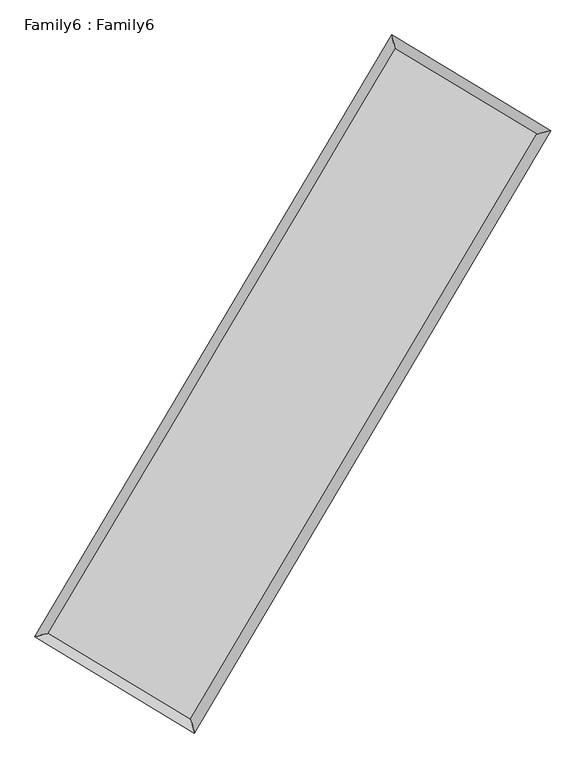
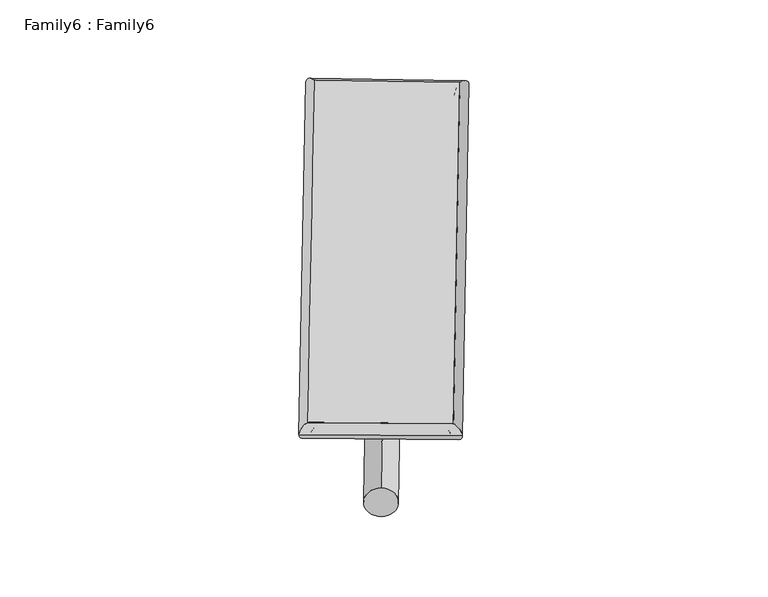
"""IFC4 building model written with IfcOpenShell, lengths in millimetres: plate geometry, Family6 : Family6."""

from ifc_helpers import new_model, si_unit, point, frame, origin, origin_2d, place, context, project, spatial, circle_curve, ellipse_curve, trimmed, segment, composite_curve, outline, extrude, source, transform, mapped, element, save
from ifc_brep_helpers import plane_surface, cylinder_surface, spline_surface, advanced_brep


def family6_family6_6faf7ed1(model_context):
    return source(origin(), model_context, "Body", "SolidModel", [
        extrude(outline(composite_curve([segment(trimmed(circle_curve(origin_2d(), 76.2), [point((-75.4341514, -10.7763074))], [point((75.4341514, 10.7763074))], False, "CARTESIAN"), True, "CONTINUOUS"), segment(trimmed(circle_curve(origin_2d(), 76.2), [point((75.4341514, 10.7763074))], [point((-75.4341514, -10.7763074))], False, "CARTESIAN"), True, "CONTINUOUS")], self_intersect=False)), frame((9144.0, 9144.0, 0.0), z_axis=(0.6727721597706386, 0.6877409950608667, 0.2727452011497898), x_axis=(-0.6797146902046185, 0.7201394922251069, -0.1392373931736902)), (0.0, 0.0, 1.0), 5561.7404086),
        extrude(outline(composite_curve([segment(trimmed(circle_curve(origin_2d(), 76.2), [point((-53.8815367, 53.8815367))], [point((53.8815367, -53.8815367))], False, "CARTESIAN"), True, "CONTINUOUS"), segment(trimmed(circle_curve(origin_2d(), 76.2), [point((53.8815367, -53.8815367))], [point((-53.8815367, 53.8815367))], False, "CARTESIAN"), True, "CONTINUOUS")], self_intersect=False)), frame((9144.0, 9144.0, 0.0), z_axis=(-0.6733743385326153, -0.6871478959409503, 0.2727540454506366), x_axis=(0.6411588216957234, -0.3591033596597031, 0.6782036142950476)), (0.0, 0.0, 1.0), 5561.6288405),
        extrude(outline(composite_curve([segment(trimmed(circle_curve(origin_2d(), 76.2), [point((-53.8815367, -53.8815367))], [point((53.8815367, 53.8815367))], False, "CARTESIAN"), True, "CONTINUOUS"), segment(trimmed(circle_curve(origin_2d(), 76.2), [point((53.8815367, 53.8815367))], [point((-53.8815367, -53.8815367))], False, "CARTESIAN"), True, "CONTINUOUS")], self_intersect=False)), frame((9144.0, 9144.0, 0.0), z_axis=(0.2804551326454221, 0.9200072545850623, 0.27373631487929284), x_axis=(-0.8387323608577073, 0.37356463750764485, -0.39620384709621226)), (0.0, 0.0, 1.0), 5581.4442611),
        extrude(outline(composite_curve([segment(trimmed(circle_curve(origin_2d(), 76.2), [point((-75.4341514, 10.7763073))], [point((75.4341514, -10.7763073))], False, "CARTESIAN"), True, "CONTINUOUS"), segment(trimmed(circle_curve(origin_2d(), 76.2), [point((75.4341514, -10.7763073))], [point((-75.4341514, 10.7763073))], False, "CARTESIAN"), True, "CONTINUOUS")], self_intersect=False)), frame((9144.0, 9144.0, 0.0), z_axis=(-0.2797875198578239, -0.920261924149329, 0.27356340159601567), x_axis=(0.8768801440529241, -0.12893536269419476, 0.46309489871152737)), (0.0, 0.0, 1.0), 5585.1139539),
        advanced_brep(
        [(5190.7648987, 5270.0401665, 1517.8312392), (5607.122846, 5374.6423822, 1518.0581754), (5607.118818, 5374.6367219, 1516.0822919), (10762.1935488, 14069.2880317, 1526.6510614), (10656.4958324, 14488.6503909, 1529.0369061), (5190.7608707, 5270.0345063, 1515.8553557), (12677.5978937, 12916.4647302, 1517.0531116), (13093.9703199, 13021.6090356, 1516.8229014), (7528.5060123, 4214.1896954, 1527.677365), (7634.2036251, 3794.2748769, 1528.0881781)],
        [
            (0, 1, ellipse_curve(frame((5398.9418584, 5322.3384442, 1516.9567655), z_axis=(-0.24365774900643536, 0.9698585956655936, -0.0022816140514549197), x_axis=(-0.9698520685768215, -0.2436650135147386, -0.0037850054322954825)), 214.6539559, 152.4)),
            (1, 2, ellipse_curve(frame((5398.9418584, 5322.3384442, 1516.9567655), z_axis=(-0.24365774900643536, 0.9698585956655936, -0.0022816140514549197), x_axis=(-0.9698520685768215, -0.2436650135147386, -0.0037850054322954825)), 214.6539559, 152.4)),
            (2, 3),
            (3, 4, ellipse_curve(frame((10709.3446906, 14278.9692113, 1527.8439837), z_axis=(-0.9696686972469549, -0.24441216991823145, 0.0023040779619653796), x_axis=(0.24440268183237046, -0.9696665257587878, -0.0037627032871453132)), 216.2423819, 152.4)),
            (4, 0),
            (2, 5, ellipse_curve(frame((5398.9418584, 5322.3384442, 1516.9567655), z_axis=(-0.24365774900643536, 0.9698585956655936, -0.0022816140514549197), x_axis=(-0.9698520685768215, -0.2436650135147386, -0.0037850054322954825)), 214.6539559, 152.4)),
            (5, 0, ellipse_curve(frame((5398.9418584, 5322.3384442, 1516.9567655), z_axis=(-0.24365774900643536, 0.9698585956655936, -0.0022816140514549197), x_axis=(-0.9698520685768215, -0.2436650135147386, -0.0037850054322954825)), 214.6539559, 152.4)),
            (4, 3, ellipse_curve(frame((10709.3446906, 14278.9692113, 1527.8439837), z_axis=(-0.9696686972469549, -0.24441216991823145, 0.0023040779619653796), x_axis=(0.24440268183237046, -0.9696665257587878, -0.0037627032871453132)), 216.2423819, 152.4)),
            (3, 6),
            (6, 7, ellipse_curve(frame((12885.7841068, 12969.0368829, 1516.9380065), z_axis=(-0.24483694485507004, 0.9695615774768899, 0.00228427550004977), x_axis=(-0.9695550111651803, -0.24484422295812944, 0.003792994663412377)), 214.7226714, 152.4)),
            (7, 4),
            (7, 6, ellipse_curve(frame((12885.7841068, 12969.0368829, 1516.9380065), z_axis=(-0.24483694485507004, 0.9695615774768899, 0.00228427550004977), x_axis=(-0.9695550111651803, -0.24484422295812944, 0.003792994663412377)), 214.7226714, 152.4)),
            (6, 8),
            (8, 9, ellipse_curve(frame((7581.3548187, 4004.2322862, 1527.8827715), z_axis=(0.9697475038040069, 0.2440993640862651, 0.0022976767784898405), x_axis=(-0.2440899168071972, 0.9697453290427283, -0.0037562365295719874)), 216.5075714, 152.4)),
            (9, 7),
            (9, 8, ellipse_curve(frame((7581.3548187, 4004.2322862, 1527.8827715), z_axis=(0.9697475038040069, 0.2440993640862651, 0.0022976767784898405), x_axis=(-0.2440899168071972, 0.9697453290427283, -0.0037562365295719874)), 216.5075714, 152.4)),
            (8, 1),
            (5, 9),
        ],
        [
            cylinder_surface(frame((5398.9418584, 5322.3384442, 1516.9567655), z_axis=(-0.5099989681307614, -0.8601743772401732, -0.0010455835877879048), x_axis=(-0.8601587183530297, 0.509981448539019, 0.006775056259351839)), 152.4),
            cylinder_surface(frame((10709.3446906, 14278.9692113, 1527.8439837), z_axis=(-0.8567775921082755, 0.51566823217244, 0.004293249270220041), x_axis=(0.5156827115187402, 0.8567724610705083, 0.003505851089867919)), 152.4),
            cylinder_surface(frame((12885.7841068, 12969.0368829, 1516.9380065), z_axis=(0.5092302171321647, 0.8606297008427635, -0.0010507077729207585), x_axis=(0.860630294183192, -0.5092302171321647, 0.0002875650899824587)), 152.4),
            cylinder_surface(frame((7581.3548187, 4004.2322862, 1527.8827715), z_axis=(0.8559831900060438, -0.5169858933389992, 0.004285383944769335), x_axis=(-0.5169774317713871, -0.8559938525596829, -0.002976477631836978)), 152.4),
        ],
        [
            (0, [[1, 2, 3, 4, 5]]),
            (0, [[6, 7, -5, 8, -3]]),
            (1, [[-4, 9, 10, 11]]),
            (1, [[-8, -11, 12, -9]]),
            (2, [[-10, 13, 14, 15]]),
            (2, [[-12, -15, 16, -13]]),
            (3, [[-14, 17, -1, -7, 18]]),
            (3, [[-16, -18, -6, -2, -17]]),
        ],
    ),
        extrude(outline(composite_curve([segment(trimmed(circle_curve(origin_2d(), 304.8), [point((-1e-07, -304.8))], [point((0.0, 304.8))], False, "CARTESIAN"), True, "CONTINUOUS"), segment(trimmed(circle_curve(origin_2d(), 304.8), [point((0.0, 304.8))], [point((-1e-07, -304.8))], False, "CARTESIAN"), True, "CONTINUOUS")], self_intersect=False)), frame((6486.3887167, 4644.5256694, -0.0001342), z_axis=(0.5085634962008558, 0.861024488810836, 2.5689643415022764e-08), x_axis=(-0.8610244888108364, 0.5085634962008558, 7.020227272584399e-09)), (0.0, 0.0, 1.0), 10451.4433423),
        advanced_brep(
        [(5398.9418584, 5322.3384442, 1516.9567655), (7581.3548187, 4004.2322862, 1527.8827715), (7581.3535073, 4004.2335872, 1680.2827715), (5398.9405469, 5322.3397453, 1669.3567655), (12885.7841068, 12969.0368829, 1516.9380065), (12885.7827953, 12969.0381839, 1669.3380065), (10709.3446906, 14278.9692113, 1527.8439837), (10709.3433792, 14278.9705123, 1680.2439837)],
        [
            (0, 1),
            (1, 2),
            (2, 3),
            (3, 0),
            (1, 4),
            (4, 5),
            (5, 2),
            (4, 6),
            (6, 7),
            (7, 5),
            (6, 0),
            (3, 7),
        ],
        [
            plane_surface(frame((6490.1483385, 4663.2853652, 1522.4197685), z_axis=(-0.5169906509866189, -0.8559910436355394, 2.8587229502670397e-06), x_axis=(0.8559831900060437, -0.5169858933389994, 0.004285383944769337))),
            plane_surface(frame((10233.5694627, 8486.6345845, 1522.410389), z_axis=(0.8606301821341729, -0.5092304875609523, 1.1753108285667902e-05), x_axis=(0.5092302171321647, 0.8606297008427635, -0.0010507077729207577))),
            plane_surface(frame((11797.5643987, 13624.0030471, 1522.3909951), z_axis=(0.5156729740494101, 0.8567854946407301, -2.8768439231177667e-06), x_axis=(-0.8567775921082754, 0.5156682321724401, 0.004293249270220041))),
            plane_surface(frame((8054.1432745, 9800.6538278, 1522.4003746), z_axis=(-0.8601748411030853, 0.5099992574456207, -1.1755752915110641e-05), x_axis=(-0.5099989681307614, -0.8601743772401731, -0.0010455835877879046))),
            spline_surface(1, 1, [[(7581.3535073, 4004.2335872, 1680.2827715), (5398.9405469, 5322.3397453, 1669.3567655)], [(12885.7827953, 12969.0381839, 1669.3380065), (10709.3433792, 14278.9705123, 1680.2439837)]], [2, 2], [2, 2], [0.0, 1.0], [0.0, 1.0]),
            spline_surface(1, 1, [[(10709.3446906, 14278.9692113, 1527.8439837), (5398.9418584, 5322.3384442, 1516.9567655)], [(12885.7841068, 12969.0368829, 1516.9380065), (7581.3548187, 4004.2322862, 1527.8827715)]], [2, 2], [2, 2], [0.0, 1.0], [0.0, 1.0]),
        ],
        [
            (0, [[1, 2, 3, 4]]),
            (1, [[5, 6, 7, -2]]),
            (2, [[8, 9, 10, -6]]),
            (3, [[11, -4, 12, -9]]),
            (4, [[-3, -7, -10, -12]]),
            (5, [[-11, -8, -5, -1]]),
        ],
    ),
    ])


if __name__ == "__main__":
    model = new_model("IFC4")
    model_context = context("Model", 3, world=origin())
    ifc_project = project(units=[si_unit("LENGTHUNIT", "METRE", prefix="MILLI")], contexts=[model_context])
    site = spatial("IfcSite", under=ifc_project)
    building = spatial("IfcBuilding", under=site)
    placement = place(None, origin())
    family6_family6_shape = family6_family6_6faf7ed1(model_context)
    element("IfcPlate", 1, ObjectType="Family6 : Family6", at=placement, inside=building, context=model_context, shape_type="MappedRepresentation", body=[
        mapped(family6_family6_shape, transform((0.0, 0.0, 0.0), x_axis=(1.0, 0.0, 0.0), y_axis=(0.0, 1.0, 0.0), z_axis=(0.0, 0.0, 1.0))),
    ])
    save(model, "model.ifc")
